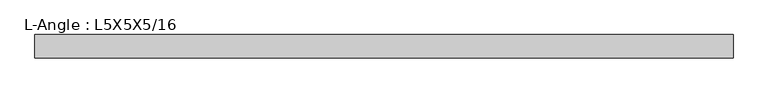
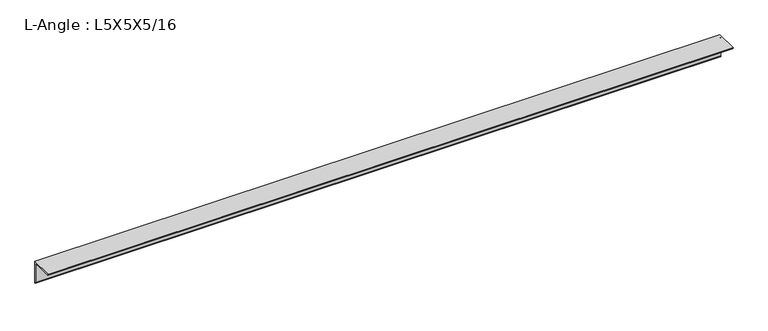
"""IFC4 building model written with IfcOpenShell, lengths in millimetres: beam geometry, L-Angle : L5X5X5/16."""

from ifc_helpers import new_model, si_unit, point, frame, frame_2d, origin, place, context, project, spatial, polyline, circle_curve, trimmed, segment, composite_curve, outline, extrude, source, transform, mapped, element, save


def l_angle_l5x5x5_16_a28672ea(model_context):
    return source(origin(), model_context, "Body", "SweptSolid", [
        extrude(outline(composite_curve([segment(polyline([(34.3296875, 34.3296875), (34.3296875, -92.6703125)]), True, "CONTINUOUS"), segment(trimmed(circle_curve(frame_2d((34.3296875, -84.7328125)), 7.9375), [point((34.3296875, -92.6703125))], [point((26.3921875, -84.7328125))], False, "CARTESIAN"), True, "CONTINUOUS"), segment(polyline([(26.3921875, -84.7328125), (26.3921875, 18.4546875)]), True, "CONTINUOUS"), segment(trimmed(circle_curve(frame_2d((18.4546875, 18.4546875)), 7.9375), [point((26.3921875, 18.4546875))], [point((18.4546875, 26.3921875))], True, "CARTESIAN"), True, "CONTINUOUS"), segment(polyline([(18.4546875, 26.3921875), (-84.7328125, 26.3921875)]), True, "CONTINUOUS"), segment(trimmed(circle_curve(frame_2d((-84.7328125, 34.3296875)), 7.9375), [point((-84.7328125, 26.3921875))], [point((-92.6703125, 34.3296875))], False, "CARTESIAN"), True, "CONTINUOUS"), segment(polyline([(-92.6703125, 34.3296875), (34.3296875, 34.3296875)]), True, "CONTINUOUS")], self_intersect=False)), frame((-1924.05, 0.0, 0.0), z_axis=(1.0, 0.0, 0.0), x_axis=(0.0, 1.0, 0.0)), (0.0, 0.0, 1.0), 3822.303125),
    ])


if __name__ == "__main__":
    model = new_model("IFC4")
    model_context = context("Model", 3, world=origin())
    ifc_project = project(units=[si_unit("LENGTHUNIT", "METRE", prefix="MILLI")], contexts=[model_context])
    site = spatial("IfcSite", under=ifc_project)
    building = spatial("IfcBuilding", under=site)
    placement = place(None, origin())
    l_angle_l5x5x5_16_shape = l_angle_l5x5x5_16_a28672ea(model_context)
    element("IfcBeam", 1, ObjectType="L-Angle : L5X5X5/16", at=placement, inside=building, context=model_context, shape_type="MappedRepresentation", body=[
        mapped(l_angle_l5x5x5_16_shape, transform((0.0, 0.0, 0.0), x_axis=(1.0, 0.0, 0.0), y_axis=(0.0, 1.0, 0.0), z_axis=(0.0, 0.0, 1.0))),
    ])
    save(model, "model.ifc")
